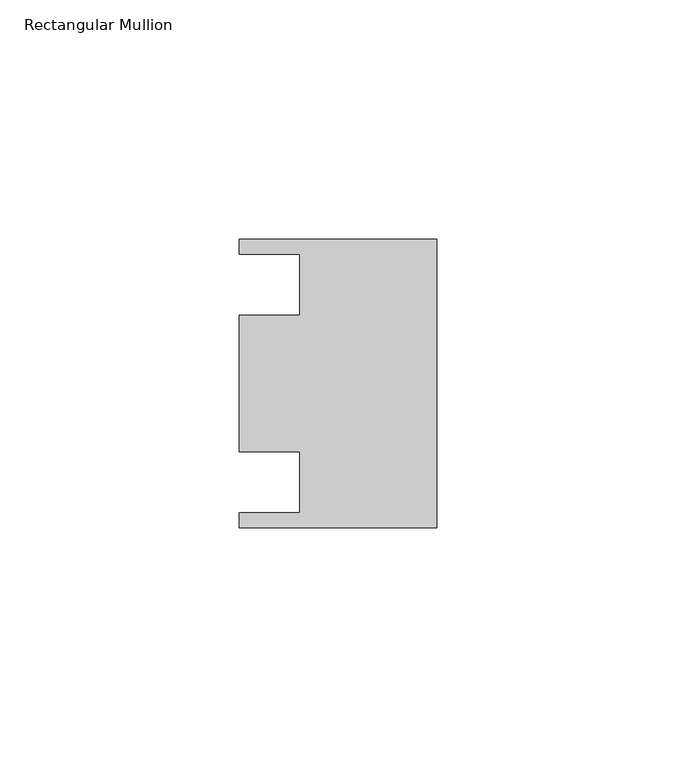
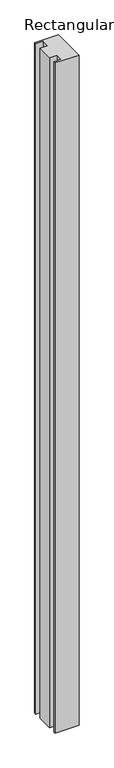
"""IFC4 building model written with IfcOpenShell, lengths in millimetres: member geometry, Rectangular Mullion."""

from ifc_helpers import new_model, si_unit, frame, origin, place, context, project, spatial, polyline, outline, extrude, source, transform, mapped, element, save


def rectangular_mullion_beab42a2(model_context):
    return source(origin(), model_context, "Body", "SweptSolid", [
        extrude(outline(polyline([(0.0, -30.1625), (-41.275, -30.1625), (-41.275, -26.9875), (-28.575, -26.9875), (-28.575, -14.2875), (-41.275, -14.2875), (-41.275, 14.2875), (-28.575, 14.2875), (-28.575, 26.9875), (-41.275, 26.9875), (-41.275, 30.1625), (0.0, 30.1625), (0.0, -30.1625)])), frame((0.0, 0.0, -1219.2), z_axis=(0.0, 0.0, 1.0), x_axis=(1.0, 0.0, 0.0)), (0.0, 0.0, 1.0), 1219.2),
    ])


if __name__ == "__main__":
    model = new_model("IFC4")
    model_context = context("Model", 3, world=origin())
    ifc_project = project(units=[si_unit("LENGTHUNIT", "METRE", prefix="MILLI")], contexts=[model_context])
    site = spatial("IfcSite", under=ifc_project)
    building = spatial("IfcBuilding", under=site)
    placement = place(None, origin())
    rectangular_mullion_shape = rectangular_mullion_beab42a2(model_context)
    element("IfcMember", 1, ObjectType="Rectangular Mullion", at=placement, inside=building, context=model_context, shape_type="MappedRepresentation", body=[
        mapped(rectangular_mullion_shape, transform((0.0, 0.0, 0.0), x_axis=(1.0, 0.0, 0.0), y_axis=(0.0, 1.0, 0.0), z_axis=(0.0, 0.0, 1.0))),
    ])
    save(model, "model.ifc")
